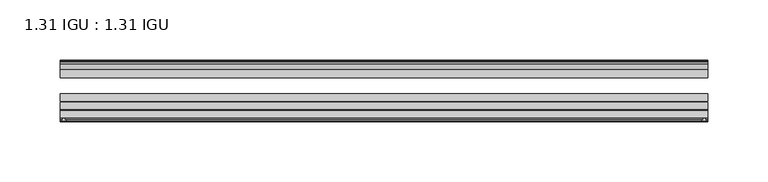
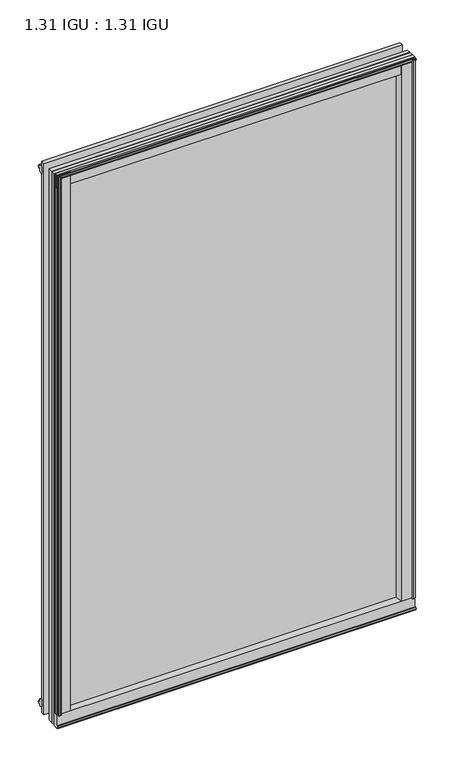
"""IFC4 building model written with IfcOpenShell, lengths in millimetres: plate geometry, 1.31 IGU : 1.31 IGU."""

from ifc_helpers import new_model, si_unit, point, frame, frame_2d, origin, origin_with_axes, place, context, project, spatial, polyline, circle_curve, trimmed, segment, composite_curve, outline, extrude, source, transform, mapped, element, save


def plate_1_31_igu_1_31_igu_132bd0aa(model_context):
    return source(origin(), model_context, "Body", "SweptSolid", [
        extrude(outline(composite_curve([segment(polyline([(265.1404656, -57.6333938), (248.9557187, -57.6333938)]), True, "CONTINUOUS"), segment(trimmed(circle_curve(frame_2d((241.6609896, -57.6547678)), 7.2947605), [point((248.9557187, -57.6333938))], [point((245.2133301, -51.2833938))], True, "CARTESIAN"), True, "CONTINUOUS"), segment(polyline([(245.2133301, -51.2833938), (268.083751, -51.2833938)]), True, "CONTINUOUS"), segment(trimmed(circle_curve(frame_2d((268.083751, -52.0707938)), 0.7874), [point((268.083751, -51.2833938))], [point((268.8652819, -51.9748338))], False, "CARTESIAN"), True, "CONTINUOUS"), segment(polyline([(268.8652819, -51.9748338), (269.5600656, -57.6333938), (267.6296656, -57.6333938), (267.1724656, -59.624458), (268.1738275, -59.3561439), (268.4170656, -60.263921), (266.3850656, -60.8083938), (264.3530656, -60.263921), (264.5963038, -59.3561439), (265.5976656, -59.624458), (265.1404656, -57.6333938)]), True, "CONTINUOUS")], self_intersect=False)), origin_with_axes(), (0.0, 0.0, 1.0), 857.25),
        extrude(outline(composite_curve([segment(polyline([(-249.253375, -57.6333937), (-265.4381219, -57.6333937), (-265.8953219, -59.624458), (-264.89396, -59.3561439), (-264.6507219, -60.263921), (-266.6827219, -60.8083937), (-268.7147219, -60.263921), (-268.4714838, -59.3561439), (-267.4701219, -59.624458), (-267.9273219, -57.6333937), (-269.8577219, -57.6333937), (-269.1629381, -51.9748338)]), True, "CONTINUOUS"), segment(trimmed(circle_curve(frame_2d((-268.3814073, -52.0707937)), 0.7874), [point((-269.1629381, -51.9748338))], [point((-268.3814073, -51.2833937))], False, "CARTESIAN"), True, "CONTINUOUS"), segment(polyline([(-268.3814073, -51.2833937), (-245.5109864, -51.2833937)]), True, "CONTINUOUS"), segment(trimmed(circle_curve(frame_2d((-241.9586458, -57.6547678)), 7.2947605), [point((-245.5109864, -51.2833937))], [point((-249.253375, -57.6333937))], True, "CARTESIAN"), True, "CONTINUOUS")], self_intersect=False)), origin_with_axes(), (0.0, 0.0, 1.0), 857.25),
        extrude(outline(polyline([(-9.7543937, -6.8579998), (-10.4009552, -9.2709998), (-11.2596632, -9.0409097), (-10.8839895, -7.6388763), (-13.1833937, -8.3819998), (-13.1833937, -11.7850089), (-17.9585937, -10.1533914), (-17.9585937, 0.6595133), (-13.1833937, -0.5079998), (-13.1833937, -5.4609998), (-10.8839895, -6.0771233), (-11.2596632, -4.6750899), (-10.4009552, -4.4449998), (-9.7543937, -6.8579998)])), frame((-269.890875, 0.0, 0.0), z_axis=(1.0, 0.0, 0.0), x_axis=(0.0, 1.0, 0.0)), (0.0, 0.0, 1.0), 539.4840937),
        extrude(outline(composite_curve([segment(polyline([(-51.9748338, -19.930016), (-57.6333937, -20.6247998), (-57.6333937, -18.6943998), (-59.624458, -18.2371998), (-59.3561439, -19.2385617), (-60.263921, -19.4817998), (-60.8083937, -17.4497998), (-60.263921, -15.4177998), (-59.3561439, -15.6610379), (-59.624458, -16.6623998), (-57.6333937, -16.2051998), (-57.6333937, 0.0127002)]), True, "CONTINUOUS"), segment(trimmed(circle_curve(frame_2d((-58.1588233, 7.9620141)), 7.9666598), [point((-57.6333937, 0.0127002))], [point((-51.2833937, 3.9375717))], True, "CARTESIAN"), True, "CONTINUOUS"), segment(polyline([(-51.2833937, 3.9375717), (-51.2833937, -19.1484852)]), True, "CONTINUOUS"), segment(trimmed(circle_curve(frame_2d((-52.0707937, -19.1484852)), 0.7874), [point((-51.2833937, -19.1484852))], [point((-51.9748338, -19.930016))], False, "CARTESIAN"), True, "CONTINUOUS")], self_intersect=False)), frame((-269.890875, 0.0, 0.0), z_axis=(1.0, 0.0, 0.0), x_axis=(0.0, 1.0, 0.0)), (0.0, 0.0, 1.0), 539.4840937),
        extrude(outline(polyline([(-17.9585937, 848.3533914), (-13.1833937, 849.9850089), (-13.1833937, 846.5819998), (-10.8839895, 845.8388763), (-11.2596632, 847.2409097), (-10.4009552, 847.4709998), (-9.7543937, 845.0579998), (-10.4009552, 842.6449998), (-11.2596632, 842.8750899), (-10.8839895, 844.2771233), (-13.1833937, 843.6609998), (-13.1833937, 838.7079998), (-17.9585937, 837.5404867), (-17.9585937, 848.3533914)])), frame((-269.890875, 0.0, 0.0), z_axis=(1.0, 0.0, 0.0), x_axis=(0.0, 1.0, 0.0)), (0.0, 0.0, 1.0), 539.4840937),
        extrude(outline(composite_curve([segment(trimmed(circle_curve(frame_2d((-52.0707937, 857.3484852)), 0.7874), [point((-51.9748338, 858.130016))], [point((-51.2833937, 857.3484852))], False, "CARTESIAN"), True, "CONTINUOUS"), segment(polyline([(-51.2833937, 857.3484852), (-51.2833937, 834.2624283)]), True, "CONTINUOUS"), segment(trimmed(circle_curve(frame_2d((-58.1588233, 830.2379859)), 7.9666598), [point((-51.2833937, 834.2624283))], [point((-57.6333937, 838.1872998))], True, "CARTESIAN"), True, "CONTINUOUS"), segment(polyline([(-57.6333937, 838.1872998), (-57.6333937, 854.4051998), (-59.624458, 854.8623998), (-59.3561439, 853.8610379), (-60.263921, 853.6177998), (-60.8083937, 855.6497998), (-60.263921, 857.6817998), (-59.3561439, 857.4385617), (-59.624458, 856.4371998), (-57.6333937, 856.8943998), (-57.6333937, 858.8247998), (-51.9748338, 858.130016)]), True, "CONTINUOUS")], self_intersect=False)), frame((-269.890875, 0.0, 0.0), z_axis=(1.0, 0.0, 0.0), x_axis=(0.0, 1.0, 0.0)), (0.0, 0.0, 1.0), 539.4840937),
        extrude(outline(polyline([(-258.4797513, -10.8839895), (-259.8817847, -11.2596632), (-260.1118748, -10.4009552), (-257.6988748, -9.7543937), (-255.2858748, -10.4009552), (-255.5159649, -11.2596632), (-256.9179983, -10.8839895), (-256.3018748, -13.1833937), (-251.3488748, -13.1833937), (-250.1813617, -17.9585937), (-260.9942664, -17.9585937), (-262.6258839, -13.1833937), (-259.2228748, -13.1833937), (-258.4797513, -10.8839895)])), origin_with_axes(), (0.0, 0.0, 1.0), 838.2),
        extrude(outline(polyline([(258.4924515, -10.8839895), (259.235575, -13.1833937), (262.6385841, -13.1833937), (261.0069666, -17.9585937), (250.1940619, -17.9585937), (251.361575, -13.1833937), (256.314575, -13.1833937), (256.9306985, -10.8839895), (255.5286651, -11.2596632), (255.298575, -10.4009552), (257.711575, -9.7543937), (260.124575, -10.4009552), (259.8944849, -11.2596632), (258.4924515, -10.8839895)])), origin_with_axes(), (0.0, 0.0, 1.0), 838.2),
        extrude(outline(polyline([(269.5932187, -17.9585937), (269.5932187, -24.3085937), (-269.890875, -24.3085937), (-269.890875, -17.9585937), (269.5932187, -17.9585937)])), frame((0.0, 0.0, -19.0372998), z_axis=(0.0, 0.0, 1.0), x_axis=(1.0, 0.0, 0.0)), (0.0, 0.0, 1.0), 876.2872998),
        extrude(outline(polyline([(-269.890875, -44.1459937), (-269.890875, -37.7959937), (269.5932187, -37.7959937), (269.5932187, -44.1459937), (-269.890875, -44.1459937)])), frame((0.0, 0.0, -19.0372998), z_axis=(0.0, 0.0, 1.0), x_axis=(1.0, 0.0, 0.0)), (0.0, 0.0, 1.0), 876.2872998),
        extrude(outline(polyline([(-269.890875, -51.2833937), (-269.890875, -44.9333937), (269.5932187, -44.9333937), (269.5932187, -51.2833937), (-269.890875, -51.2833937)])), frame((0.0, 0.0, -19.0372998), z_axis=(0.0, 0.0, 1.0), x_axis=(1.0, 0.0, 0.0)), (0.0, 0.0, 1.0), 876.2872998),
    ])


if __name__ == "__main__":
    model = new_model("IFC4")
    model_context = context("Model", 3, world=origin())
    ifc_project = project(units=[si_unit("LENGTHUNIT", "METRE", prefix="MILLI")], contexts=[model_context])
    site = spatial("IfcSite", under=ifc_project)
    building = spatial("IfcBuilding", under=site)
    placement = place(None, origin())
    plate_1_31_igu_1_31_igu_shape = plate_1_31_igu_1_31_igu_132bd0aa(model_context)
    element("IfcPlate", 1, ObjectType="1.31 IGU : 1.31 IGU", at=placement, inside=building, context=model_context, shape_type="MappedRepresentation", body=[
        mapped(plate_1_31_igu_1_31_igu_shape, transform((0.0, 0.0, 0.0), x_axis=(1.0, 0.0, 0.0), y_axis=(0.0, 1.0, 0.0), z_axis=(0.0, 0.0, 1.0))),
    ])
    save(model, "model.ifc")
